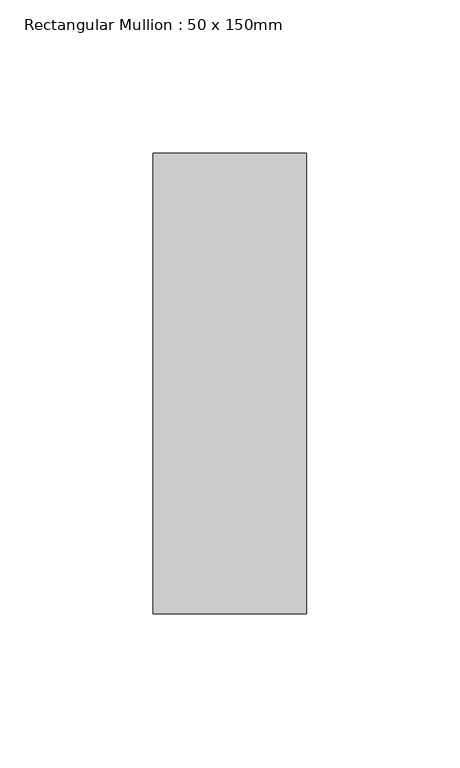
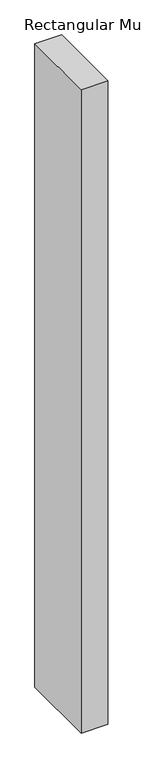
"""IFC4 building model written with IfcOpenShell, lengths in millimetres: member geometry, Rectangular Mullion : 50 x 150mm."""

from ifc_helpers import new_model, si_unit, frame, origin, place, context, project, spatial, polyline, outline, extrude, source, transform, mapped, element, save


def rectangular_mullion_50_x_150mm_7b764dd8(model_context):
    return source(origin(), model_context, "Body", "SweptSolid", [
        extrude(outline(polyline([(0.0, 75.0), (0.0, -75.0), (-50.0, -75.0), (-50.0, 75.0), (0.0, 75.0)])), frame((0.0, 0.0, -1275.0), z_axis=(0.0, 0.0, 1.0), x_axis=(1.0, 0.0, 0.0)), (0.0, 0.0, 1.0), 1275.0),
    ])


if __name__ == "__main__":
    model = new_model("IFC4")
    model_context = context("Model", 3, world=origin())
    ifc_project = project(units=[si_unit("LENGTHUNIT", "METRE", prefix="MILLI")], contexts=[model_context])
    site = spatial("IfcSite", under=ifc_project)
    building = spatial("IfcBuilding", under=site)
    placement = place(None, origin())
    rectangular_mullion_50_x_150mm_shape = rectangular_mullion_50_x_150mm_7b764dd8(model_context)
    element("IfcMember", 1, ObjectType="Rectangular Mullion : 50 x 150mm", at=placement, inside=building, context=model_context, shape_type="MappedRepresentation", body=[
        mapped(rectangular_mullion_50_x_150mm_shape, transform((0.0, 0.0, 0.0), x_axis=(1.0, 0.0, 0.0), y_axis=(0.0, 1.0, 0.0), z_axis=(0.0, 0.0, 1.0))),
    ])
    save(model, "model.ifc")
